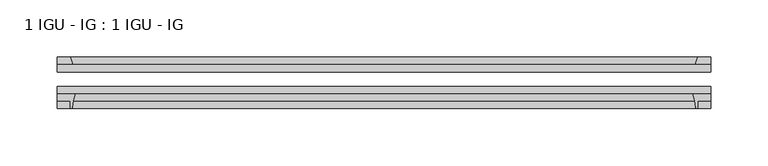
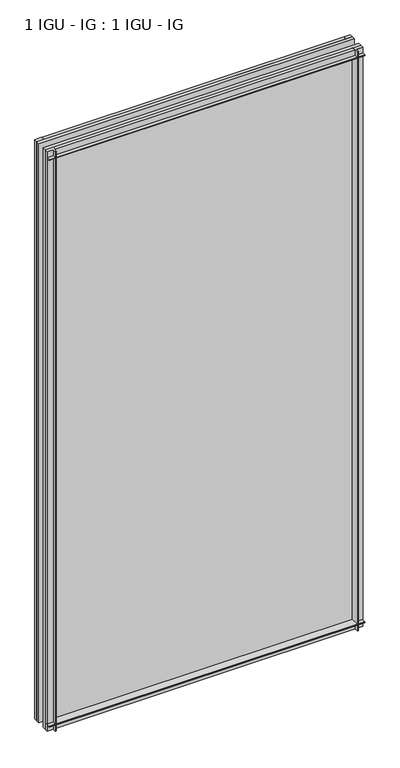
"""IFC4 building model written with IfcOpenShell, lengths in millimetres: plate geometry, 1 IGU - IG : 1 IGU - IG."""

from ifc_helpers import new_model, si_unit, point, frame, frame_2d, origin, place, context, project, spatial, polyline, circle_curve, trimmed, segment, composite_curve, outline, extrude, source, transform, mapped, element, save


def plate_1_igu_ig_1_igu_ig_edbd2a85(model_context):
    return source(origin(), model_context, "Body", "SweptSolid", [
        extrude(outline(polyline([(284.1625, -31.75), (284.1625, -38.1), (-284.1625, -38.1), (-284.1625, -31.75), (284.1625, -31.75)])), frame((0.0, 0.0, -11.1125), z_axis=(0.0, 0.0, 1.0), x_axis=(1.0, 0.0, 0.0)), (0.0, 0.0, 1.0), 1101.725),
        extrude(outline(polyline([(-284.1625, -12.7), (284.1625, -12.7), (284.1625, -19.05), (-284.1625, -19.05), (-284.1625, -12.7)])), frame((0.0, 0.0, -11.1125), z_axis=(0.0, 0.0, 1.0), x_axis=(1.0, 0.0, 0.0)), (0.0, 0.0, 1.0), 1101.725),
        extrude(outline(composite_curve([segment(polyline([(-284.1625, -38.1), (-268.8688207, -38.1)]), True, "CONTINUOUS"), segment(trimmed(circle_curve(frame_2d((-225.6098044, -53.3794536)), 45.8781451), [point((-268.8688207, -38.1))], [point((-271.3700572, -50.0925922))], True, "CARTESIAN"), True, "CONTINUOUS"), segment(trimmed(circle_curve(frame_2d((-272.1300991, -50.038)), 0.762), [point((-271.3700572, -50.0925922))], [point((-272.1300991, -50.8))], False, "CARTESIAN"), True, "CONTINUOUS"), segment(polyline([(-272.1300991, -50.8), (-273.05, -50.8), (-273.05, -44.45), (-284.1625, -44.45), (-284.1625, -38.1)]), True, "CONTINUOUS")], self_intersect=False)), frame((0.0, 0.0, -11.1125), z_axis=(0.0, 0.0, 1.0), x_axis=(1.0, 0.0, 0.0)), (0.0, 0.0, 1.0), 1101.725),
        extrude(outline(polyline([(-270.9447229, -12.7), (-284.1625, -12.7), (-284.1625, -6.35), (-273.05, -6.35), (-270.9447229, -12.7)])), frame((0.0, 0.0, -11.1125), z_axis=(0.0, 0.0, 1.0), x_axis=(1.0, 0.0, 0.0)), (0.0, 0.0, 1.0), 1101.725),
        extrude(outline(polyline([(284.1625, -12.7), (270.9447229, -12.7), (273.05, -6.35), (284.1625, -6.35), (284.1625, -12.7)])), frame((0.0, 0.0, -11.1125), z_axis=(0.0, 0.0, 1.0), x_axis=(1.0, 0.0, 0.0)), (0.0, 0.0, 1.0), 1101.725),
        extrude(outline(composite_curve([segment(polyline([(268.8688207, -38.1), (284.1625, -38.1), (284.1625, -44.45), (273.05, -44.45), (273.05, -50.8), (272.1300991, -50.8)]), True, "CONTINUOUS"), segment(trimmed(circle_curve(frame_2d((272.1300991, -50.038)), 0.762), [point((272.1300991, -50.8))], [point((271.3700572, -50.0925922))], False, "CARTESIAN"), True, "CONTINUOUS"), segment(trimmed(circle_curve(frame_2d((225.6098044, -53.3794536)), 45.8781451), [point((271.3700572, -50.0925922))], [point((268.8688207, -38.1))], True, "CARTESIAN"), True, "CONTINUOUS")], self_intersect=False)), frame((0.0, 0.0, -11.1125), z_axis=(0.0, 0.0, 1.0), x_axis=(1.0, 0.0, 0.0)), (0.0, 0.0, 1.0), 1101.725),
        extrude(outline(polyline([(-12.7, -11.1125), (-12.7, 2.1052771), (-6.35, 0.0), (-6.35, -11.1125), (-12.7, -11.1125)])), frame((-284.1625, 0.0, 0.0), z_axis=(1.0, 0.0, 0.0), x_axis=(0.0, 1.0, 0.0)), (0.0, 0.0, 1.0), 568.325),
        extrude(outline(composite_curve([segment(polyline([(-38.1, 4.1811793), (-38.1, -11.1125), (-44.45, -11.1125), (-44.45, 0.0), (-50.8, 0.0), (-50.8, 0.9199009)]), True, "CONTINUOUS"), segment(trimmed(circle_curve(frame_2d((-50.038, 0.9199009)), 0.762), [point((-50.8, 0.9199009))], [point((-50.0925922, 1.6799428))], False, "CARTESIAN"), True, "CONTINUOUS"), segment(trimmed(circle_curve(frame_2d((-53.3794536, 47.4401956)), 45.8781451), [point((-50.0925922, 1.6799428))], [point((-38.1, 4.1811793))], True, "CARTESIAN"), True, "CONTINUOUS")], self_intersect=False)), frame((-284.1625, 0.0, 0.0), z_axis=(1.0, 0.0, 0.0), x_axis=(0.0, 1.0, 0.0)), (0.0, 0.0, 1.0), 568.325),
        extrude(outline(polyline([(-6.35, 1079.5), (-12.7, 1077.3947229), (-12.7, 1090.6125), (-6.35, 1090.6125), (-6.35, 1079.5)])), frame((-284.1625, 0.0, 0.0), z_axis=(1.0, 0.0, 0.0), x_axis=(0.0, 1.0, 0.0)), (0.0, 0.0, 1.0), 568.325),
        extrude(outline(composite_curve([segment(polyline([(-38.1, 1090.6125), (-38.1, 1075.3188207)]), True, "CONTINUOUS"), segment(trimmed(circle_curve(frame_2d((-53.3794536, 1032.0598044)), 45.8781451), [point((-38.1, 1075.3188207))], [point((-50.0925922, 1077.8200572))], True, "CARTESIAN"), True, "CONTINUOUS"), segment(trimmed(circle_curve(frame_2d((-50.038, 1078.5800991)), 0.762), [point((-50.0925922, 1077.8200572))], [point((-50.8, 1078.5800991))], False, "CARTESIAN"), True, "CONTINUOUS"), segment(polyline([(-50.8, 1078.5800991), (-50.8, 1079.5), (-44.45, 1079.5), (-44.45, 1090.6125), (-38.1, 1090.6125)]), True, "CONTINUOUS")], self_intersect=False)), frame((-284.1625, 0.0, 0.0), z_axis=(1.0, 0.0, 0.0), x_axis=(0.0, 1.0, 0.0)), (0.0, 0.0, 1.0), 568.325),
    ])


if __name__ == "__main__":
    model = new_model("IFC4")
    model_context = context("Model", 3, world=origin())
    ifc_project = project(units=[si_unit("LENGTHUNIT", "METRE", prefix="MILLI")], contexts=[model_context])
    site = spatial("IfcSite", under=ifc_project)
    building = spatial("IfcBuilding", under=site)
    placement = place(None, origin())
    plate_1_igu_ig_1_igu_ig_shape = plate_1_igu_ig_1_igu_ig_edbd2a85(model_context)
    element("IfcPlate", 1, ObjectType="1 IGU - IG : 1 IGU - IG", at=placement, inside=building, context=model_context, shape_type="MappedRepresentation", body=[
        mapped(plate_1_igu_ig_1_igu_ig_shape, transform((0.0, 0.0, 0.0), x_axis=(1.0, 0.0, 0.0), y_axis=(0.0, 1.0, 0.0), z_axis=(0.0, 0.0, 1.0))),
    ])
    save(model, "model.ifc")
